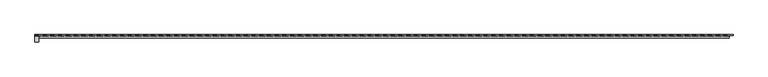
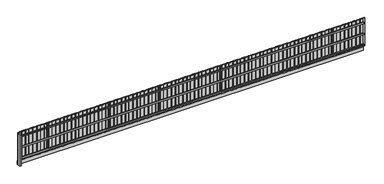
"""IFC4 building model written with IfcOpenShell, lengths in millimetres: geographic element geometry."""

from ifc_helpers import new_model, si_unit, frame, origin, origin_with_axes, place, context, project, spatial, polyline, outline, extrude, source, transform, mapped, element, save


def geographic_element_88bdca91(model_context):
    return source(origin(), model_context, "Body", "SweptSolid", [
        extrude(outline(polyline([(18050.6871344, 20.0), (17900.3435672, 20.0), (17900.3435672, 40.0), (18050.6871344, 40.0), (18050.6871344, 20.0)])), frame((0.0, 0.0, 200.0), z_axis=(0.0, 0.0, 1.0), x_axis=(1.0, 0.0, 0.0)), (0.0, 0.0, 1.0), 1550.0),
        extrude(outline(polyline([(17950.3435672, 0.0), (17800.0, 0.0), (17800.0, 20.0), (17950.3435672, 20.0), (17950.3435672, 0.0)])), frame((0.0, 0.0, 200.0), z_axis=(0.0, 0.0, 1.0), x_axis=(1.0, 0.0, 0.0)), (0.0, 0.0, 1.0), 1550.0),
        extrude(outline(polyline([(17850.6871344, 20.0), (17700.3435672, 20.0), (17700.3435672, 40.0), (17850.6871344, 40.0), (17850.6871344, 20.0)])), frame((0.0, 0.0, 200.0), z_axis=(0.0, 0.0, 1.0), x_axis=(1.0, 0.0, 0.0)), (0.0, 0.0, 1.0), 1550.0),
        extrude(outline(polyline([(17750.3435672, 0.0), (17600.0, 0.0), (17600.0, 20.0), (17750.3435672, 20.0), (17750.3435672, 0.0)])), frame((0.0, 0.0, 200.0), z_axis=(0.0, 0.0, 1.0), x_axis=(1.0, 0.0, 0.0)), (0.0, 0.0, 1.0), 1550.0),
        extrude(outline(polyline([(17650.6871344, 20.0), (17500.3435672, 20.0), (17500.3435672, 40.0), (17650.6871344, 40.0), (17650.6871344, 20.0)])), frame((0.0, 0.0, 200.0), z_axis=(0.0, 0.0, 1.0), x_axis=(1.0, 0.0, 0.0)), (0.0, 0.0, 1.0), 1550.0),
        extrude(outline(polyline([(17550.3435672, 0.0), (17400.0, 0.0), (17400.0, 20.0), (17550.3435672, 20.0), (17550.3435672, 0.0)])), frame((0.0, 0.0, 200.0), z_axis=(0.0, 0.0, 1.0), x_axis=(1.0, 0.0, 0.0)), (0.0, 0.0, 1.0), 1550.0),
        extrude(outline(polyline([(17450.6871344, 20.0), (17300.3435672, 20.0), (17300.3435672, 40.0), (17450.6871344, 40.0), (17450.6871344, 20.0)])), frame((0.0, 0.0, 200.0), z_axis=(0.0, 0.0, 1.0), x_axis=(1.0, 0.0, 0.0)), (0.0, 0.0, 1.0), 1550.0),
        extrude(outline(polyline([(17350.3435672, 0.0), (17200.0, 0.0), (17200.0, 20.0), (17350.3435672, 20.0), (17350.3435672, 0.0)])), frame((0.0, 0.0, 200.0), z_axis=(0.0, 0.0, 1.0), x_axis=(1.0, 0.0, 0.0)), (0.0, 0.0, 1.0), 1550.0),
        extrude(outline(polyline([(17250.6871344, 20.0), (17100.3435672, 20.0), (17100.3435672, 40.0), (17250.6871344, 40.0), (17250.6871344, 20.0)])), frame((0.0, 0.0, 200.0), z_axis=(0.0, 0.0, 1.0), x_axis=(1.0, 0.0, 0.0)), (0.0, 0.0, 1.0), 1550.0),
        extrude(outline(polyline([(17150.3435672, 0.0), (17000.0, 0.0), (17000.0, 20.0), (17150.3435672, 20.0), (17150.3435672, 0.0)])), frame((0.0, 0.0, 200.0), z_axis=(0.0, 0.0, 1.0), x_axis=(1.0, 0.0, 0.0)), (0.0, 0.0, 1.0), 1550.0),
        extrude(outline(polyline([(17050.6871344, 20.0), (16900.3435672, 20.0), (16900.3435672, 40.0), (17050.6871344, 40.0), (17050.6871344, 20.0)])), frame((0.0, 0.0, 200.0), z_axis=(0.0, 0.0, 1.0), x_axis=(1.0, 0.0, 0.0)), (0.0, 0.0, 1.0), 1550.0),
        extrude(outline(polyline([(16950.3435672, 0.0), (16800.0, 0.0), (16800.0, 20.0), (16950.3435672, 20.0), (16950.3435672, 0.0)])), frame((0.0, 0.0, 200.0), z_axis=(0.0, 0.0, 1.0), x_axis=(1.0, 0.0, 0.0)), (0.0, 0.0, 1.0), 1550.0),
        extrude(outline(polyline([(16850.6871344, 20.0), (16700.3435672, 20.0), (16700.3435672, 40.0), (16850.6871344, 40.0), (16850.6871344, 20.0)])), frame((0.0, 0.0, 200.0), z_axis=(0.0, 0.0, 1.0), x_axis=(1.0, 0.0, 0.0)), (0.0, 0.0, 1.0), 1550.0),
        extrude(outline(polyline([(16750.3435672, 0.0), (16600.0, 0.0), (16600.0, 20.0), (16750.3435672, 20.0), (16750.3435672, 0.0)])), frame((0.0, 0.0, 200.0), z_axis=(0.0, 0.0, 1.0), x_axis=(1.0, 0.0, 0.0)), (0.0, 0.0, 1.0), 1550.0),
        extrude(outline(polyline([(16650.6871344, 20.0), (16500.3435672, 20.0), (16500.3435672, 40.0), (16650.6871344, 40.0), (16650.6871344, 20.0)])), frame((0.0, 0.0, 200.0), z_axis=(0.0, 0.0, 1.0), x_axis=(1.0, 0.0, 0.0)), (0.0, 0.0, 1.0), 1550.0),
        extrude(outline(polyline([(16550.3435672, 0.0), (16400.0, 0.0), (16400.0, 20.0), (16550.3435672, 20.0), (16550.3435672, 0.0)])), frame((0.0, 0.0, 200.0), z_axis=(0.0, 0.0, 1.0), x_axis=(1.0, 0.0, 0.0)), (0.0, 0.0, 1.0), 1550.0),
        extrude(outline(polyline([(16450.6871344, 20.0), (16300.3435672, 20.0), (16300.3435672, 40.0), (16450.6871344, 40.0), (16450.6871344, 20.0)])), frame((0.0, 0.0, 200.0), z_axis=(0.0, 0.0, 1.0), x_axis=(1.0, 0.0, 0.0)), (0.0, 0.0, 1.0), 1550.0),
        extrude(outline(polyline([(16350.3435672, 0.0), (16200.0, 0.0), (16200.0, 20.0), (16350.3435672, 20.0), (16350.3435672, 0.0)])), frame((0.0, 0.0, 200.0), z_axis=(0.0, 0.0, 1.0), x_axis=(1.0, 0.0, 0.0)), (0.0, 0.0, 1.0), 1550.0),
        extrude(outline(polyline([(16250.6871344, 20.0), (16100.3435672, 20.0), (16100.3435672, 40.0), (16250.6871344, 40.0), (16250.6871344, 20.0)])), frame((0.0, 0.0, 200.0), z_axis=(0.0, 0.0, 1.0), x_axis=(1.0, 0.0, 0.0)), (0.0, 0.0, 1.0), 1550.0),
        extrude(outline(polyline([(16150.3435672, 0.0), (16000.0, 0.0), (16000.0, 20.0), (16150.3435672, 20.0), (16150.3435672, 0.0)])), frame((0.0, 0.0, 200.0), z_axis=(0.0, 0.0, 1.0), x_axis=(1.0, 0.0, 0.0)), (0.0, 0.0, 1.0), 1550.0),
        extrude(outline(polyline([(16050.6871344, 20.0), (15900.3435672, 20.0), (15900.3435672, 40.0), (16050.6871344, 40.0), (16050.6871344, 20.0)])), frame((0.0, 0.0, 200.0), z_axis=(0.0, 0.0, 1.0), x_axis=(1.0, 0.0, 0.0)), (0.0, 0.0, 1.0), 1550.0),
        extrude(outline(polyline([(15950.3435672, 0.0), (15800.0, 0.0), (15800.0, 20.0), (15950.3435672, 20.0), (15950.3435672, 0.0)])), frame((0.0, 0.0, 200.0), z_axis=(0.0, 0.0, 1.0), x_axis=(1.0, 0.0, 0.0)), (0.0, 0.0, 1.0), 1550.0),
        extrude(outline(polyline([(15850.6871344, 20.0), (15700.3435672, 20.0), (15700.3435672, 40.0), (15850.6871344, 40.0), (15850.6871344, 20.0)])), frame((0.0, 0.0, 200.0), z_axis=(0.0, 0.0, 1.0), x_axis=(1.0, 0.0, 0.0)), (0.0, 0.0, 1.0), 1550.0),
        extrude(outline(polyline([(15750.3435672, 0.0), (15600.0, 0.0), (15600.0, 20.0), (15750.3435672, 20.0), (15750.3435672, 0.0)])), frame((0.0, 0.0, 200.0), z_axis=(0.0, 0.0, 1.0), x_axis=(1.0, 0.0, 0.0)), (0.0, 0.0, 1.0), 1550.0),
        extrude(outline(polyline([(15650.6871344, 20.0), (15500.3435672, 20.0), (15500.3435672, 40.0), (15650.6871344, 40.0), (15650.6871344, 20.0)])), frame((0.0, 0.0, 200.0), z_axis=(0.0, 0.0, 1.0), x_axis=(1.0, 0.0, 0.0)), (0.0, 0.0, 1.0), 1550.0),
        extrude(outline(polyline([(15550.3435672, 0.0), (15400.0, 0.0), (15400.0, 20.0), (15550.3435672, 20.0), (15550.3435672, 0.0)])), frame((0.0, 0.0, 200.0), z_axis=(0.0, 0.0, 1.0), x_axis=(1.0, 0.0, 0.0)), (0.0, 0.0, 1.0), 1550.0),
        extrude(outline(polyline([(15450.6871344, 20.0), (15300.3435672, 20.0), (15300.3435672, 40.0), (15450.6871344, 40.0), (15450.6871344, 20.0)])), frame((0.0, 0.0, 200.0), z_axis=(0.0, 0.0, 1.0), x_axis=(1.0, 0.0, 0.0)), (0.0, 0.0, 1.0), 1550.0),
        extrude(outline(polyline([(15350.3435672, 0.0), (15200.0, 0.0), (15200.0, 20.0), (15350.3435672, 20.0), (15350.3435672, 0.0)])), frame((0.0, 0.0, 200.0), z_axis=(0.0, 0.0, 1.0), x_axis=(1.0, 0.0, 0.0)), (0.0, 0.0, 1.0), 1550.0),
        extrude(outline(polyline([(15250.6871344, 20.0), (15100.3435672, 20.0), (15100.3435672, 40.0), (15250.6871344, 40.0), (15250.6871344, 20.0)])), frame((0.0, 0.0, 200.0), z_axis=(0.0, 0.0, 1.0), x_axis=(1.0, 0.0, 0.0)), (0.0, 0.0, 1.0), 1550.0),
        extrude(outline(polyline([(15150.3435672, 0.0), (15000.0, 0.0), (15000.0, 20.0), (15150.3435672, 20.0), (15150.3435672, 0.0)])), frame((0.0, 0.0, 200.0), z_axis=(0.0, 0.0, 1.0), x_axis=(1.0, 0.0, 0.0)), (0.0, 0.0, 1.0), 1550.0),
        extrude(outline(polyline([(15050.6871344, 20.0), (14900.3435672, 20.0), (14900.3435672, 40.0), (15050.6871344, 40.0), (15050.6871344, 20.0)])), frame((0.0, 0.0, 200.0), z_axis=(0.0, 0.0, 1.0), x_axis=(1.0, 0.0, 0.0)), (0.0, 0.0, 1.0), 1550.0),
        extrude(outline(polyline([(14950.3435672, 0.0), (14800.0, 0.0), (14800.0, 20.0), (14950.3435672, 20.0), (14950.3435672, 0.0)])), frame((0.0, 0.0, 200.0), z_axis=(0.0, 0.0, 1.0), x_axis=(1.0, 0.0, 0.0)), (0.0, 0.0, 1.0), 1550.0),
        extrude(outline(polyline([(14850.6871344, 20.0), (14700.3435672, 20.0), (14700.3435672, 40.0), (14850.6871344, 40.0), (14850.6871344, 20.0)])), frame((0.0, 0.0, 200.0), z_axis=(0.0, 0.0, 1.0), x_axis=(1.0, 0.0, 0.0)), (0.0, 0.0, 1.0), 1550.0),
        extrude(outline(polyline([(14750.3435672, 0.0), (14600.0, 0.0), (14600.0, 20.0), (14750.3435672, 20.0), (14750.3435672, 0.0)])), frame((0.0, 0.0, 200.0), z_axis=(0.0, 0.0, 1.0), x_axis=(1.0, 0.0, 0.0)), (0.0, 0.0, 1.0), 1550.0),
        extrude(outline(polyline([(14650.6871344, 20.0), (14500.3435672, 20.0), (14500.3435672, 40.0), (14650.6871344, 40.0), (14650.6871344, 20.0)])), frame((0.0, 0.0, 200.0), z_axis=(0.0, 0.0, 1.0), x_axis=(1.0, 0.0, 0.0)), (0.0, 0.0, 1.0), 1550.0),
        extrude(outline(polyline([(14550.3435672, 0.0), (14400.0, 0.0), (14400.0, 20.0), (14550.3435672, 20.0), (14550.3435672, 0.0)])), frame((0.0, 0.0, 200.0), z_axis=(0.0, 0.0, 1.0), x_axis=(1.0, 0.0, 0.0)), (0.0, 0.0, 1.0), 1550.0),
        extrude(outline(polyline([(14450.6871344, 20.0), (14300.3435672, 20.0), (14300.3435672, 40.0), (14450.6871344, 40.0), (14450.6871344, 20.0)])), frame((0.0, 0.0, 200.0), z_axis=(0.0, 0.0, 1.0), x_axis=(1.0, 0.0, 0.0)), (0.0, 0.0, 1.0), 1550.0),
        extrude(outline(polyline([(14350.3435672, 0.0), (14200.0, 0.0), (14200.0, 20.0), (14350.3435672, 20.0), (14350.3435672, 0.0)])), frame((0.0, 0.0, 200.0), z_axis=(0.0, 0.0, 1.0), x_axis=(1.0, 0.0, 0.0)), (0.0, 0.0, 1.0), 1550.0),
        extrude(outline(polyline([(14250.6871344, 20.0), (14100.3435672, 20.0), (14100.3435672, 40.0), (14250.6871344, 40.0), (14250.6871344, 20.0)])), frame((0.0, 0.0, 200.0), z_axis=(0.0, 0.0, 1.0), x_axis=(1.0, 0.0, 0.0)), (0.0, 0.0, 1.0), 1550.0),
        extrude(outline(polyline([(14150.3435672, 0.0), (14000.0, 0.0), (14000.0, 20.0), (14150.3435672, 20.0), (14150.3435672, 0.0)])), frame((0.0, 0.0, 200.0), z_axis=(0.0, 0.0, 1.0), x_axis=(1.0, 0.0, 0.0)), (0.0, 0.0, 1.0), 1550.0),
        extrude(outline(polyline([(14050.6871344, 20.0), (13900.3435672, 20.0), (13900.3435672, 40.0), (14050.6871344, 40.0), (14050.6871344, 20.0)])), frame((0.0, 0.0, 200.0), z_axis=(0.0, 0.0, 1.0), x_axis=(1.0, 0.0, 0.0)), (0.0, 0.0, 1.0), 1550.0),
        extrude(outline(polyline([(13950.3435672, 0.0), (13800.0, 0.0), (13800.0, 20.0), (13950.3435672, 20.0), (13950.3435672, 0.0)])), frame((0.0, 0.0, 200.0), z_axis=(0.0, 0.0, 1.0), x_axis=(1.0, 0.0, 0.0)), (0.0, 0.0, 1.0), 1550.0),
        extrude(outline(polyline([(13850.6871344, 20.0), (13700.3435672, 20.0), (13700.3435672, 40.0), (13850.6871344, 40.0), (13850.6871344, 20.0)])), frame((0.0, 0.0, 200.0), z_axis=(0.0, 0.0, 1.0), x_axis=(1.0, 0.0, 0.0)), (0.0, 0.0, 1.0), 1550.0),
        extrude(outline(polyline([(13750.3435672, 0.0), (13600.0, 0.0), (13600.0, 20.0), (13750.3435672, 20.0), (13750.3435672, 0.0)])), frame((0.0, 0.0, 200.0), z_axis=(0.0, 0.0, 1.0), x_axis=(1.0, 0.0, 0.0)), (0.0, 0.0, 1.0), 1550.0),
        extrude(outline(polyline([(13650.6871344, 20.0), (13500.3435672, 20.0), (13500.3435672, 40.0), (13650.6871344, 40.0), (13650.6871344, 20.0)])), frame((0.0, 0.0, 200.0), z_axis=(0.0, 0.0, 1.0), x_axis=(1.0, 0.0, 0.0)), (0.0, 0.0, 1.0), 1550.0),
        extrude(outline(polyline([(13550.3435672, 0.0), (13400.0, 0.0), (13400.0, 20.0), (13550.3435672, 20.0), (13550.3435672, 0.0)])), frame((0.0, 0.0, 200.0), z_axis=(0.0, 0.0, 1.0), x_axis=(1.0, 0.0, 0.0)), (0.0, 0.0, 1.0), 1550.0),
        extrude(outline(polyline([(13450.6871344, 20.0), (13300.3435672, 20.0), (13300.3435672, 40.0), (13450.6871344, 40.0), (13450.6871344, 20.0)])), frame((0.0, 0.0, 200.0), z_axis=(0.0, 0.0, 1.0), x_axis=(1.0, 0.0, 0.0)), (0.0, 0.0, 1.0), 1550.0),
        extrude(outline(polyline([(13350.3435672, 0.0), (13200.0, 0.0), (13200.0, 20.0), (13350.3435672, 20.0), (13350.3435672, 0.0)])), frame((0.0, 0.0, 200.0), z_axis=(0.0, 0.0, 1.0), x_axis=(1.0, 0.0, 0.0)), (0.0, 0.0, 1.0), 1550.0),
        extrude(outline(polyline([(13250.6871344, 20.0), (13100.3435672, 20.0), (13100.3435672, 40.0), (13250.6871344, 40.0), (13250.6871344, 20.0)])), frame((0.0, 0.0, 200.0), z_axis=(0.0, 0.0, 1.0), x_axis=(1.0, 0.0, 0.0)), (0.0, 0.0, 1.0), 1550.0),
        extrude(outline(polyline([(13150.3435672, 0.0), (13000.0, 0.0), (13000.0, 20.0), (13150.3435672, 20.0), (13150.3435672, 0.0)])), frame((0.0, 0.0, 200.0), z_axis=(0.0, 0.0, 1.0), x_axis=(1.0, 0.0, 0.0)), (0.0, 0.0, 1.0), 1550.0),
        extrude(outline(polyline([(13050.6871344, 20.0), (12900.3435672, 20.0), (12900.3435672, 40.0), (13050.6871344, 40.0), (13050.6871344, 20.0)])), frame((0.0, 0.0, 200.0), z_axis=(0.0, 0.0, 1.0), x_axis=(1.0, 0.0, 0.0)), (0.0, 0.0, 1.0), 1550.0),
        extrude(outline(polyline([(12950.3435672, 0.0), (12800.0, 0.0), (12800.0, 20.0), (12950.3435672, 20.0), (12950.3435672, 0.0)])), frame((0.0, 0.0, 200.0), z_axis=(0.0, 0.0, 1.0), x_axis=(1.0, 0.0, 0.0)), (0.0, 0.0, 1.0), 1550.0),
        extrude(outline(polyline([(12850.6871344, 20.0), (12700.3435672, 20.0), (12700.3435672, 40.0), (12850.6871344, 40.0), (12850.6871344, 20.0)])), frame((0.0, 0.0, 200.0), z_axis=(0.0, 0.0, 1.0), x_axis=(1.0, 0.0, 0.0)), (0.0, 0.0, 1.0), 1550.0),
        extrude(outline(polyline([(12750.3435672, 0.0), (12600.0, 0.0), (12600.0, 20.0), (12750.3435672, 20.0), (12750.3435672, 0.0)])), frame((0.0, 0.0, 200.0), z_axis=(0.0, 0.0, 1.0), x_axis=(1.0, 0.0, 0.0)), (0.0, 0.0, 1.0), 1550.0),
        extrude(outline(polyline([(12650.6871344, 20.0), (12500.3435672, 20.0), (12500.3435672, 40.0), (12650.6871344, 40.0), (12650.6871344, 20.0)])), frame((0.0, 0.0, 200.0), z_axis=(0.0, 0.0, 1.0), x_axis=(1.0, 0.0, 0.0)), (0.0, 0.0, 1.0), 1550.0),
        extrude(outline(polyline([(12550.3435672, 0.0), (12400.0, 0.0), (12400.0, 20.0), (12550.3435672, 20.0), (12550.3435672, 0.0)])), frame((0.0, 0.0, 200.0), z_axis=(0.0, 0.0, 1.0), x_axis=(1.0, 0.0, 0.0)), (0.0, 0.0, 1.0), 1550.0),
        extrude(outline(polyline([(12450.6871344, 20.0), (12300.3435672, 20.0), (12300.3435672, 40.0), (12450.6871344, 40.0), (12450.6871344, 20.0)])), frame((0.0, 0.0, 200.0), z_axis=(0.0, 0.0, 1.0), x_axis=(1.0, 0.0, 0.0)), (0.0, 0.0, 1.0), 1550.0),
        extrude(outline(polyline([(12350.3435672, 0.0), (12200.0, 0.0), (12200.0, 20.0), (12350.3435672, 20.0), (12350.3435672, 0.0)])), frame((0.0, 0.0, 200.0), z_axis=(0.0, 0.0, 1.0), x_axis=(1.0, 0.0, 0.0)), (0.0, 0.0, 1.0), 1550.0),
        extrude(outline(polyline([(12250.6871344, 20.0), (12100.3435672, 20.0), (12100.3435672, 40.0), (12250.6871344, 40.0), (12250.6871344, 20.0)])), frame((0.0, 0.0, 200.0), z_axis=(0.0, 0.0, 1.0), x_axis=(1.0, 0.0, 0.0)), (0.0, 0.0, 1.0), 1550.0),
        extrude(outline(polyline([(12150.3435672, 0.0), (12000.0, 0.0), (12000.0, 20.0), (12150.3435672, 20.0), (12150.3435672, 0.0)])), frame((0.0, 0.0, 200.0), z_axis=(0.0, 0.0, 1.0), x_axis=(1.0, 0.0, 0.0)), (0.0, 0.0, 1.0), 1550.0),
        extrude(outline(polyline([(12050.6871344, 20.0), (11900.3435672, 20.0), (11900.3435672, 40.0), (12050.6871344, 40.0), (12050.6871344, 20.0)])), frame((0.0, 0.0, 200.0), z_axis=(0.0, 0.0, 1.0), x_axis=(1.0, 0.0, 0.0)), (0.0, 0.0, 1.0), 1550.0),
        extrude(outline(polyline([(11950.3435672, 0.0), (11800.0, 0.0), (11800.0, 20.0), (11950.3435672, 20.0), (11950.3435672, 0.0)])), frame((0.0, 0.0, 200.0), z_axis=(0.0, 0.0, 1.0), x_axis=(1.0, 0.0, 0.0)), (0.0, 0.0, 1.0), 1550.0),
        extrude(outline(polyline([(11850.6871344, 20.0), (11700.3435672, 20.0), (11700.3435672, 40.0), (11850.6871344, 40.0), (11850.6871344, 20.0)])), frame((0.0, 0.0, 200.0), z_axis=(0.0, 0.0, 1.0), x_axis=(1.0, 0.0, 0.0)), (0.0, 0.0, 1.0), 1550.0),
        extrude(outline(polyline([(11750.3435672, 0.0), (11600.0, 0.0), (11600.0, 20.0), (11750.3435672, 20.0), (11750.3435672, 0.0)])), frame((0.0, 0.0, 200.0), z_axis=(0.0, 0.0, 1.0), x_axis=(1.0, 0.0, 0.0)), (0.0, 0.0, 1.0), 1550.0),
        extrude(outline(polyline([(11650.6871344, 20.0), (11500.3435672, 20.0), (11500.3435672, 40.0), (11650.6871344, 40.0), (11650.6871344, 20.0)])), frame((0.0, 0.0, 200.0), z_axis=(0.0, 0.0, 1.0), x_axis=(1.0, 0.0, 0.0)), (0.0, 0.0, 1.0), 1550.0),
        extrude(outline(polyline([(11550.3435672, 0.0), (11400.0, 0.0), (11400.0, 20.0), (11550.3435672, 20.0), (11550.3435672, 0.0)])), frame((0.0, 0.0, 200.0), z_axis=(0.0, 0.0, 1.0), x_axis=(1.0, 0.0, 0.0)), (0.0, 0.0, 1.0), 1550.0),
        extrude(outline(polyline([(11450.6871344, 20.0), (11300.3435672, 20.0), (11300.3435672, 40.0), (11450.6871344, 40.0), (11450.6871344, 20.0)])), frame((0.0, 0.0, 200.0), z_axis=(0.0, 0.0, 1.0), x_axis=(1.0, 0.0, 0.0)), (0.0, 0.0, 1.0), 1550.0),
        extrude(outline(polyline([(11350.3435672, 0.0), (11200.0, 0.0), (11200.0, 20.0), (11350.3435672, 20.0), (11350.3435672, 0.0)])), frame((0.0, 0.0, 200.0), z_axis=(0.0, 0.0, 1.0), x_axis=(1.0, 0.0, 0.0)), (0.0, 0.0, 1.0), 1550.0),
        extrude(outline(polyline([(11250.6871344, 20.0), (11100.3435672, 20.0), (11100.3435672, 40.0), (11250.6871344, 40.0), (11250.6871344, 20.0)])), frame((0.0, 0.0, 200.0), z_axis=(0.0, 0.0, 1.0), x_axis=(1.0, 0.0, 0.0)), (0.0, 0.0, 1.0), 1550.0),
        extrude(outline(polyline([(11150.3435672, 0.0), (11000.0, 0.0), (11000.0, 20.0), (11150.3435672, 20.0), (11150.3435672, 0.0)])), frame((0.0, 0.0, 200.0), z_axis=(0.0, 0.0, 1.0), x_axis=(1.0, 0.0, 0.0)), (0.0, 0.0, 1.0), 1550.0),
        extrude(outline(polyline([(11050.6871344, 20.0), (10900.3435672, 20.0), (10900.3435672, 40.0), (11050.6871344, 40.0), (11050.6871344, 20.0)])), frame((0.0, 0.0, 200.0), z_axis=(0.0, 0.0, 1.0), x_axis=(1.0, 0.0, 0.0)), (0.0, 0.0, 1.0), 1550.0),
        extrude(outline(polyline([(10950.3435672, 0.0), (10800.0, 0.0), (10800.0, 20.0), (10950.3435672, 20.0), (10950.3435672, 0.0)])), frame((0.0, 0.0, 200.0), z_axis=(0.0, 0.0, 1.0), x_axis=(1.0, 0.0, 0.0)), (0.0, 0.0, 1.0), 1550.0),
        extrude(outline(polyline([(10850.6871344, 20.0), (10700.3435672, 20.0), (10700.3435672, 40.0), (10850.6871344, 40.0), (10850.6871344, 20.0)])), frame((0.0, 0.0, 200.0), z_axis=(0.0, 0.0, 1.0), x_axis=(1.0, 0.0, 0.0)), (0.0, 0.0, 1.0), 1550.0),
        extrude(outline(polyline([(10750.3435672, 0.0), (10600.0, 0.0), (10600.0, 20.0), (10750.3435672, 20.0), (10750.3435672, 0.0)])), frame((0.0, 0.0, 200.0), z_axis=(0.0, 0.0, 1.0), x_axis=(1.0, 0.0, 0.0)), (0.0, 0.0, 1.0), 1550.0),
        extrude(outline(polyline([(10650.6871344, 20.0), (10500.3435672, 20.0), (10500.3435672, 40.0), (10650.6871344, 40.0), (10650.6871344, 20.0)])), frame((0.0, 0.0, 200.0), z_axis=(0.0, 0.0, 1.0), x_axis=(1.0, 0.0, 0.0)), (0.0, 0.0, 1.0), 1550.0),
        extrude(outline(polyline([(10550.3435672, 0.0), (10400.0, 0.0), (10400.0, 20.0), (10550.3435672, 20.0), (10550.3435672, 0.0)])), frame((0.0, 0.0, 200.0), z_axis=(0.0, 0.0, 1.0), x_axis=(1.0, 0.0, 0.0)), (0.0, 0.0, 1.0), 1550.0),
        extrude(outline(polyline([(10450.6871344, 20.0), (10300.3435672, 20.0), (10300.3435672, 40.0), (10450.6871344, 40.0), (10450.6871344, 20.0)])), frame((0.0, 0.0, 200.0), z_axis=(0.0, 0.0, 1.0), x_axis=(1.0, 0.0, 0.0)), (0.0, 0.0, 1.0), 1550.0),
        extrude(outline(polyline([(10350.3435672, 0.0), (10200.0, 0.0), (10200.0, 20.0), (10350.3435672, 20.0), (10350.3435672, 0.0)])), frame((0.0, 0.0, 200.0), z_axis=(0.0, 0.0, 1.0), x_axis=(1.0, 0.0, 0.0)), (0.0, 0.0, 1.0), 1550.0),
        extrude(outline(polyline([(10250.6871344, 20.0), (10100.3435672, 20.0), (10100.3435672, 40.0), (10250.6871344, 40.0), (10250.6871344, 20.0)])), frame((0.0, 0.0, 200.0), z_axis=(0.0, 0.0, 1.0), x_axis=(1.0, 0.0, 0.0)), (0.0, 0.0, 1.0), 1550.0),
        extrude(outline(polyline([(10150.3435672, 0.0), (10000.0, 0.0), (10000.0, 20.0), (10150.3435672, 20.0), (10150.3435672, 0.0)])), frame((0.0, 0.0, 200.0), z_axis=(0.0, 0.0, 1.0), x_axis=(1.0, 0.0, 0.0)), (0.0, 0.0, 1.0), 1550.0),
        extrude(outline(polyline([(10050.6871344, 20.0), (9900.3435672, 20.0), (9900.3435672, 40.0), (10050.6871344, 40.0), (10050.6871344, 20.0)])), frame((0.0, 0.0, 200.0), z_axis=(0.0, 0.0, 1.0), x_axis=(1.0, 0.0, 0.0)), (0.0, 0.0, 1.0), 1550.0),
        extrude(outline(polyline([(9950.3435672, 0.0), (9800.0, 0.0), (9800.0, 20.0), (9950.3435672, 20.0), (9950.3435672, 0.0)])), frame((0.0, 0.0, 200.0), z_axis=(0.0, 0.0, 1.0), x_axis=(1.0, 0.0, 0.0)), (0.0, 0.0, 1.0), 1550.0),
        extrude(outline(polyline([(9850.6871344, 20.0), (9700.3435672, 20.0), (9700.3435672, 40.0), (9850.6871344, 40.0), (9850.6871344, 20.0)])), frame((0.0, 0.0, 200.0), z_axis=(0.0, 0.0, 1.0), x_axis=(1.0, 0.0, 0.0)), (0.0, 0.0, 1.0), 1550.0),
        extrude(outline(polyline([(9750.3435672, 0.0), (9600.0, 0.0), (9600.0, 20.0), (9750.3435672, 20.0), (9750.3435672, 0.0)])), frame((0.0, 0.0, 200.0), z_axis=(0.0, 0.0, 1.0), x_axis=(1.0, 0.0, 0.0)), (0.0, 0.0, 1.0), 1550.0),
        extrude(outline(polyline([(9650.6871344, 20.0), (9500.3435672, 20.0), (9500.3435672, 40.0), (9650.6871344, 40.0), (9650.6871344, 20.0)])), frame((0.0, 0.0, 200.0), z_axis=(0.0, 0.0, 1.0), x_axis=(1.0, 0.0, 0.0)), (0.0, 0.0, 1.0), 1550.0),
        extrude(outline(polyline([(9550.3435672, 0.0), (9400.0, 0.0), (9400.0, 20.0), (9550.3435672, 20.0), (9550.3435672, 0.0)])), frame((0.0, 0.0, 200.0), z_axis=(0.0, 0.0, 1.0), x_axis=(1.0, 0.0, 0.0)), (0.0, 0.0, 1.0), 1550.0),
        extrude(outline(polyline([(9450.6871344, 20.0), (9300.3435672, 20.0), (9300.3435672, 40.0), (9450.6871344, 40.0), (9450.6871344, 20.0)])), frame((0.0, 0.0, 200.0), z_axis=(0.0, 0.0, 1.0), x_axis=(1.0, 0.0, 0.0)), (0.0, 0.0, 1.0), 1550.0),
        extrude(outline(polyline([(9350.3435672, 0.0), (9200.0, 0.0), (9200.0, 20.0), (9350.3435672, 20.0), (9350.3435672, 0.0)])), frame((0.0, 0.0, 200.0), z_axis=(0.0, 0.0, 1.0), x_axis=(1.0, 0.0, 0.0)), (0.0, 0.0, 1.0), 1550.0),
        extrude(outline(polyline([(9250.6871344, 20.0), (9100.3435672, 20.0), (9100.3435672, 40.0), (9250.6871344, 40.0), (9250.6871344, 20.0)])), frame((0.0, 0.0, 200.0), z_axis=(0.0, 0.0, 1.0), x_axis=(1.0, 0.0, 0.0)), (0.0, 0.0, 1.0), 1550.0),
        extrude(outline(polyline([(9150.3435672, 0.0), (9000.0, 0.0), (9000.0, 20.0), (9150.3435672, 20.0), (9150.3435672, 0.0)])), frame((0.0, 0.0, 200.0), z_axis=(0.0, 0.0, 1.0), x_axis=(1.0, 0.0, 0.0)), (0.0, 0.0, 1.0), 1550.0),
        extrude(outline(polyline([(9050.6871344, 20.0), (8900.3435672, 20.0), (8900.3435672, 40.0), (9050.6871344, 40.0), (9050.6871344, 20.0)])), frame((0.0, 0.0, 200.0), z_axis=(0.0, 0.0, 1.0), x_axis=(1.0, 0.0, 0.0)), (0.0, 0.0, 1.0), 1550.0),
        extrude(outline(polyline([(8950.3435672, 0.0), (8800.0, 0.0), (8800.0, 20.0), (8950.3435672, 20.0), (8950.3435672, 0.0)])), frame((0.0, 0.0, 200.0), z_axis=(0.0, 0.0, 1.0), x_axis=(1.0, 0.0, 0.0)), (0.0, 0.0, 1.0), 1550.0),
        extrude(outline(polyline([(8850.6871344, 20.0), (8700.3435672, 20.0), (8700.3435672, 40.0), (8850.6871344, 40.0), (8850.6871344, 20.0)])), frame((0.0, 0.0, 200.0), z_axis=(0.0, 0.0, 1.0), x_axis=(1.0, 0.0, 0.0)), (0.0, 0.0, 1.0), 1550.0),
        extrude(outline(polyline([(8750.3435672, 0.0), (8600.0, 0.0), (8600.0, 20.0), (8750.3435672, 20.0), (8750.3435672, 0.0)])), frame((0.0, 0.0, 200.0), z_axis=(0.0, 0.0, 1.0), x_axis=(1.0, 0.0, 0.0)), (0.0, 0.0, 1.0), 1550.0),
        extrude(outline(polyline([(8650.6871344, 20.0), (8500.3435672, 20.0), (8500.3435672, 40.0), (8650.6871344, 40.0), (8650.6871344, 20.0)])), frame((0.0, 0.0, 200.0), z_axis=(0.0, 0.0, 1.0), x_axis=(1.0, 0.0, 0.0)), (0.0, 0.0, 1.0), 1550.0),
        extrude(outline(polyline([(8550.3435672, 0.0), (8400.0, 0.0), (8400.0, 20.0), (8550.3435672, 20.0), (8550.3435672, 0.0)])), frame((0.0, 0.0, 200.0), z_axis=(0.0, 0.0, 1.0), x_axis=(1.0, 0.0, 0.0)), (0.0, 0.0, 1.0), 1550.0),
        extrude(outline(polyline([(8450.6871344, 20.0), (8300.3435672, 20.0), (8300.3435672, 40.0), (8450.6871344, 40.0), (8450.6871344, 20.0)])), frame((0.0, 0.0, 200.0), z_axis=(0.0, 0.0, 1.0), x_axis=(1.0, 0.0, 0.0)), (0.0, 0.0, 1.0), 1550.0),
        extrude(outline(polyline([(8350.3435672, 0.0), (8200.0, 0.0), (8200.0, 20.0), (8350.3435672, 20.0), (8350.3435672, 0.0)])), frame((0.0, 0.0, 200.0), z_axis=(0.0, 0.0, 1.0), x_axis=(1.0, 0.0, 0.0)), (0.0, 0.0, 1.0), 1550.0),
        extrude(outline(polyline([(8250.6871344, 20.0), (8100.3435672, 20.0), (8100.3435672, 40.0), (8250.6871344, 40.0), (8250.6871344, 20.0)])), frame((0.0, 0.0, 200.0), z_axis=(0.0, 0.0, 1.0), x_axis=(1.0, 0.0, 0.0)), (0.0, 0.0, 1.0), 1550.0),
        extrude(outline(polyline([(8150.3435672, 0.0), (8000.0, 0.0), (8000.0, 20.0), (8150.3435672, 20.0), (8150.3435672, 0.0)])), frame((0.0, 0.0, 200.0), z_axis=(0.0, 0.0, 1.0), x_axis=(1.0, 0.0, 0.0)), (0.0, 0.0, 1.0), 1550.0),
        extrude(outline(polyline([(8050.6871344, 20.0), (7900.3435672, 20.0), (7900.3435672, 40.0), (8050.6871344, 40.0), (8050.6871344, 20.0)])), frame((0.0, 0.0, 200.0), z_axis=(0.0, 0.0, 1.0), x_axis=(1.0, 0.0, 0.0)), (0.0, 0.0, 1.0), 1550.0),
        extrude(outline(polyline([(7950.3435672, 0.0), (7800.0, 0.0), (7800.0, 20.0), (7950.3435672, 20.0), (7950.3435672, 0.0)])), frame((0.0, 0.0, 200.0), z_axis=(0.0, 0.0, 1.0), x_axis=(1.0, 0.0, 0.0)), (0.0, 0.0, 1.0), 1550.0),
        extrude(outline(polyline([(7850.6871344, 20.0), (7700.3435672, 20.0), (7700.3435672, 40.0), (7850.6871344, 40.0), (7850.6871344, 20.0)])), frame((0.0, 0.0, 200.0), z_axis=(0.0, 0.0, 1.0), x_axis=(1.0, 0.0, 0.0)), (0.0, 0.0, 1.0), 1550.0),
        extrude(outline(polyline([(7750.3435672, 0.0), (7600.0, 0.0), (7600.0, 20.0), (7750.3435672, 20.0), (7750.3435672, 0.0)])), frame((0.0, 0.0, 200.0), z_axis=(0.0, 0.0, 1.0), x_axis=(1.0, 0.0, 0.0)), (0.0, 0.0, 1.0), 1550.0),
        extrude(outline(polyline([(7650.6871344, 20.0), (7500.3435672, 20.0), (7500.3435672, 40.0), (7650.6871344, 40.0), (7650.6871344, 20.0)])), frame((0.0, 0.0, 200.0), z_axis=(0.0, 0.0, 1.0), x_axis=(1.0, 0.0, 0.0)), (0.0, 0.0, 1.0), 1550.0),
        extrude(outline(polyline([(7550.3435672, 0.0), (7400.0, 0.0), (7400.0, 20.0), (7550.3435672, 20.0), (7550.3435672, 0.0)])), frame((0.0, 0.0, 200.0), z_axis=(0.0, 0.0, 1.0), x_axis=(1.0, 0.0, 0.0)), (0.0, 0.0, 1.0), 1550.0),
        extrude(outline(polyline([(7450.6871344, 20.0), (7300.3435672, 20.0), (7300.3435672, 40.0), (7450.6871344, 40.0), (7450.6871344, 20.0)])), frame((0.0, 0.0, 200.0), z_axis=(0.0, 0.0, 1.0), x_axis=(1.0, 0.0, 0.0)), (0.0, 0.0, 1.0), 1550.0),
        extrude(outline(polyline([(7350.3435672, 0.0), (7200.0, 0.0), (7200.0, 20.0), (7350.3435672, 20.0), (7350.3435672, 0.0)])), frame((0.0, 0.0, 200.0), z_axis=(0.0, 0.0, 1.0), x_axis=(1.0, 0.0, 0.0)), (0.0, 0.0, 1.0), 1550.0),
        extrude(outline(polyline([(7250.6871344, 20.0), (7100.3435672, 20.0), (7100.3435672, 40.0), (7250.6871344, 40.0), (7250.6871344, 20.0)])), frame((0.0, 0.0, 200.0), z_axis=(0.0, 0.0, 1.0), x_axis=(1.0, 0.0, 0.0)), (0.0, 0.0, 1.0), 1550.0),
        extrude(outline(polyline([(7150.3435672, 0.0), (7000.0, 0.0), (7000.0, 20.0), (7150.3435672, 20.0), (7150.3435672, 0.0)])), frame((0.0, 0.0, 200.0), z_axis=(0.0, 0.0, 1.0), x_axis=(1.0, 0.0, 0.0)), (0.0, 0.0, 1.0), 1550.0),
        extrude(outline(polyline([(7050.6871344, 20.0), (6900.3435672, 20.0), (6900.3435672, 40.0), (7050.6871344, 40.0), (7050.6871344, 20.0)])), frame((0.0, 0.0, 200.0), z_axis=(0.0, 0.0, 1.0), x_axis=(1.0, 0.0, 0.0)), (0.0, 0.0, 1.0), 1550.0),
        extrude(outline(polyline([(6950.3435672, 0.0), (6800.0, 0.0), (6800.0, 20.0), (6950.3435672, 20.0), (6950.3435672, 0.0)])), frame((0.0, 0.0, 200.0), z_axis=(0.0, 0.0, 1.0), x_axis=(1.0, 0.0, 0.0)), (0.0, 0.0, 1.0), 1550.0),
        extrude(outline(polyline([(6850.6871344, 20.0), (6700.3435672, 20.0), (6700.3435672, 40.0), (6850.6871344, 40.0), (6850.6871344, 20.0)])), frame((0.0, 0.0, 200.0), z_axis=(0.0, 0.0, 1.0), x_axis=(1.0, 0.0, 0.0)), (0.0, 0.0, 1.0), 1550.0),
        extrude(outline(polyline([(6750.3435672, 0.0), (6600.0, 0.0), (6600.0, 20.0), (6750.3435672, 20.0), (6750.3435672, 0.0)])), frame((0.0, 0.0, 200.0), z_axis=(0.0, 0.0, 1.0), x_axis=(1.0, 0.0, 0.0)), (0.0, 0.0, 1.0), 1550.0),
        extrude(outline(polyline([(6650.6871344, 20.0), (6500.3435672, 20.0), (6500.3435672, 40.0), (6650.6871344, 40.0), (6650.6871344, 20.0)])), frame((0.0, 0.0, 200.0), z_axis=(0.0, 0.0, 1.0), x_axis=(1.0, 0.0, 0.0)), (0.0, 0.0, 1.0), 1550.0),
        extrude(outline(polyline([(6550.3435672, 0.0), (6400.0, 0.0), (6400.0, 20.0), (6550.3435672, 20.0), (6550.3435672, 0.0)])), frame((0.0, 0.0, 200.0), z_axis=(0.0, 0.0, 1.0), x_axis=(1.0, 0.0, 0.0)), (0.0, 0.0, 1.0), 1550.0),
        extrude(outline(polyline([(6450.6871344, 20.0), (6300.3435672, 20.0), (6300.3435672, 40.0), (6450.6871344, 40.0), (6450.6871344, 20.0)])), frame((0.0, 0.0, 200.0), z_axis=(0.0, 0.0, 1.0), x_axis=(1.0, 0.0, 0.0)), (0.0, 0.0, 1.0), 1550.0),
        extrude(outline(polyline([(6350.3435672, 0.0), (6200.0, 0.0), (6200.0, 20.0), (6350.3435672, 20.0), (6350.3435672, 0.0)])), frame((0.0, 0.0, 200.0), z_axis=(0.0, 0.0, 1.0), x_axis=(1.0, 0.0, 0.0)), (0.0, 0.0, 1.0), 1550.0),
        extrude(outline(polyline([(6250.6871344, 20.0), (6100.3435672, 20.0), (6100.3435672, 40.0), (6250.6871344, 40.0), (6250.6871344, 20.0)])), frame((0.0, 0.0, 200.0), z_axis=(0.0, 0.0, 1.0), x_axis=(1.0, 0.0, 0.0)), (0.0, 0.0, 1.0), 1550.0),
        extrude(outline(polyline([(6150.3435672, 0.0), (6000.0, 0.0), (6000.0, 20.0), (6150.3435672, 20.0), (6150.3435672, 0.0)])), frame((0.0, 0.0, 200.0), z_axis=(0.0, 0.0, 1.0), x_axis=(1.0, 0.0, 0.0)), (0.0, 0.0, 1.0), 1550.0),
        extrude(outline(polyline([(6050.6871344, 20.0), (5900.3435672, 20.0), (5900.3435672, 40.0), (6050.6871344, 40.0), (6050.6871344, 20.0)])), frame((0.0, 0.0, 200.0), z_axis=(0.0, 0.0, 1.0), x_axis=(1.0, 0.0, 0.0)), (0.0, 0.0, 1.0), 1550.0),
        extrude(outline(polyline([(5950.3435672, 0.0), (5800.0, 0.0), (5800.0, 20.0), (5950.3435672, 20.0), (5950.3435672, 0.0)])), frame((0.0, 0.0, 200.0), z_axis=(0.0, 0.0, 1.0), x_axis=(1.0, 0.0, 0.0)), (0.0, 0.0, 1.0), 1550.0),
        extrude(outline(polyline([(5850.6871344, 20.0), (5700.3435672, 20.0), (5700.3435672, 40.0), (5850.6871344, 40.0), (5850.6871344, 20.0)])), frame((0.0, 0.0, 200.0), z_axis=(0.0, 0.0, 1.0), x_axis=(1.0, 0.0, 0.0)), (0.0, 0.0, 1.0), 1550.0),
        extrude(outline(polyline([(5750.3435672, 0.0), (5600.0, 0.0), (5600.0, 20.0), (5750.3435672, 20.0), (5750.3435672, 0.0)])), frame((0.0, 0.0, 200.0), z_axis=(0.0, 0.0, 1.0), x_axis=(1.0, 0.0, 0.0)), (0.0, 0.0, 1.0), 1550.0),
        extrude(outline(polyline([(5650.6871344, 20.0), (5500.3435672, 20.0), (5500.3435672, 40.0), (5650.6871344, 40.0), (5650.6871344, 20.0)])), frame((0.0, 0.0, 200.0), z_axis=(0.0, 0.0, 1.0), x_axis=(1.0, 0.0, 0.0)), (0.0, 0.0, 1.0), 1550.0),
        extrude(outline(polyline([(5550.3435672, 0.0), (5400.0, 0.0), (5400.0, 20.0), (5550.3435672, 20.0), (5550.3435672, 0.0)])), frame((0.0, 0.0, 200.0), z_axis=(0.0, 0.0, 1.0), x_axis=(1.0, 0.0, 0.0)), (0.0, 0.0, 1.0), 1550.0),
        extrude(outline(polyline([(5450.6871344, 20.0), (5300.3435672, 20.0), (5300.3435672, 40.0), (5450.6871344, 40.0), (5450.6871344, 20.0)])), frame((0.0, 0.0, 200.0), z_axis=(0.0, 0.0, 1.0), x_axis=(1.0, 0.0, 0.0)), (0.0, 0.0, 1.0), 1550.0),
        extrude(outline(polyline([(5350.3435672, 0.0), (5200.0, 0.0), (5200.0, 20.0), (5350.3435672, 20.0), (5350.3435672, 0.0)])), frame((0.0, 0.0, 200.0), z_axis=(0.0, 0.0, 1.0), x_axis=(1.0, 0.0, 0.0)), (0.0, 0.0, 1.0), 1550.0),
        extrude(outline(polyline([(5250.6871344, 20.0), (5100.3435672, 20.0), (5100.3435672, 40.0), (5250.6871344, 40.0), (5250.6871344, 20.0)])), frame((0.0, 0.0, 200.0), z_axis=(0.0, 0.0, 1.0), x_axis=(1.0, 0.0, 0.0)), (0.0, 0.0, 1.0), 1550.0),
        extrude(outline(polyline([(5150.3435672, 0.0), (5000.0, 0.0), (5000.0, 20.0), (5150.3435672, 20.0), (5150.3435672, 0.0)])), frame((0.0, 0.0, 200.0), z_axis=(0.0, 0.0, 1.0), x_axis=(1.0, 0.0, 0.0)), (0.0, 0.0, 1.0), 1550.0),
        extrude(outline(polyline([(5050.6871344, 20.0), (4900.3435672, 20.0), (4900.3435672, 40.0), (5050.6871344, 40.0), (5050.6871344, 20.0)])), frame((0.0, 0.0, 200.0), z_axis=(0.0, 0.0, 1.0), x_axis=(1.0, 0.0, 0.0)), (0.0, 0.0, 1.0), 1550.0),
        extrude(outline(polyline([(4950.3435672, 0.0), (4800.0, 0.0), (4800.0, 20.0), (4950.3435672, 20.0), (4950.3435672, 0.0)])), frame((0.0, 0.0, 200.0), z_axis=(0.0, 0.0, 1.0), x_axis=(1.0, 0.0, 0.0)), (0.0, 0.0, 1.0), 1550.0),
        extrude(outline(polyline([(4850.6871344, 20.0), (4700.3435672, 20.0), (4700.3435672, 40.0), (4850.6871344, 40.0), (4850.6871344, 20.0)])), frame((0.0, 0.0, 200.0), z_axis=(0.0, 0.0, 1.0), x_axis=(1.0, 0.0, 0.0)), (0.0, 0.0, 1.0), 1550.0),
        extrude(outline(polyline([(4750.3435672, 0.0), (4600.0, 0.0), (4600.0, 20.0), (4750.3435672, 20.0), (4750.3435672, 0.0)])), frame((0.0, 0.0, 200.0), z_axis=(0.0, 0.0, 1.0), x_axis=(1.0, 0.0, 0.0)), (0.0, 0.0, 1.0), 1550.0),
        extrude(outline(polyline([(4650.6871344, 20.0), (4500.3435672, 20.0), (4500.3435672, 40.0), (4650.6871344, 40.0), (4650.6871344, 20.0)])), frame((0.0, 0.0, 200.0), z_axis=(0.0, 0.0, 1.0), x_axis=(1.0, 0.0, 0.0)), (0.0, 0.0, 1.0), 1550.0),
        extrude(outline(polyline([(4550.3435672, 0.0), (4400.0, 0.0), (4400.0, 20.0), (4550.3435672, 20.0), (4550.3435672, 0.0)])), frame((0.0, 0.0, 200.0), z_axis=(0.0, 0.0, 1.0), x_axis=(1.0, 0.0, 0.0)), (0.0, 0.0, 1.0), 1550.0),
        extrude(outline(polyline([(4450.6871344, 20.0), (4300.3435672, 20.0), (4300.3435672, 40.0), (4450.6871344, 40.0), (4450.6871344, 20.0)])), frame((0.0, 0.0, 200.0), z_axis=(0.0, 0.0, 1.0), x_axis=(1.0, 0.0, 0.0)), (0.0, 0.0, 1.0), 1550.0),
        extrude(outline(polyline([(4350.3435672, 0.0), (4200.0, 0.0), (4200.0, 20.0), (4350.3435672, 20.0), (4350.3435672, 0.0)])), frame((0.0, 0.0, 200.0), z_axis=(0.0, 0.0, 1.0), x_axis=(1.0, 0.0, 0.0)), (0.0, 0.0, 1.0), 1550.0),
        extrude(outline(polyline([(4250.6871344, 20.0), (4100.3435672, 20.0), (4100.3435672, 40.0), (4250.6871344, 40.0), (4250.6871344, 20.0)])), frame((0.0, 0.0, 200.0), z_axis=(0.0, 0.0, 1.0), x_axis=(1.0, 0.0, 0.0)), (0.0, 0.0, 1.0), 1550.0),
        extrude(outline(polyline([(4150.3435672, 0.0), (4000.0, 0.0), (4000.0, 20.0), (4150.3435672, 20.0), (4150.3435672, 0.0)])), frame((0.0, 0.0, 200.0), z_axis=(0.0, 0.0, 1.0), x_axis=(1.0, 0.0, 0.0)), (0.0, 0.0, 1.0), 1550.0),
        extrude(outline(polyline([(4050.6871344, 20.0), (3900.3435672, 20.0), (3900.3435672, 40.0), (4050.6871344, 40.0), (4050.6871344, 20.0)])), frame((0.0, 0.0, 200.0), z_axis=(0.0, 0.0, 1.0), x_axis=(1.0, 0.0, 0.0)), (0.0, 0.0, 1.0), 1550.0),
        extrude(outline(polyline([(3950.3435672, 0.0), (3800.0, 0.0), (3800.0, 20.0), (3950.3435672, 20.0), (3950.3435672, 0.0)])), frame((0.0, 0.0, 200.0), z_axis=(0.0, 0.0, 1.0), x_axis=(1.0, 0.0, 0.0)), (0.0, 0.0, 1.0), 1550.0),
        extrude(outline(polyline([(3850.6871344, 20.0), (3700.3435672, 20.0), (3700.3435672, 40.0), (3850.6871344, 40.0), (3850.6871344, 20.0)])), frame((0.0, 0.0, 200.0), z_axis=(0.0, 0.0, 1.0), x_axis=(1.0, 0.0, 0.0)), (0.0, 0.0, 1.0), 1550.0),
        extrude(outline(polyline([(3750.3435672, 0.0), (3600.0, 0.0), (3600.0, 20.0), (3750.3435672, 20.0), (3750.3435672, 0.0)])), frame((0.0, 0.0, 200.0), z_axis=(0.0, 0.0, 1.0), x_axis=(1.0, 0.0, 0.0)), (0.0, 0.0, 1.0), 1550.0),
        extrude(outline(polyline([(3650.6871344, 20.0), (3500.3435672, 20.0), (3500.3435672, 40.0), (3650.6871344, 40.0), (3650.6871344, 20.0)])), frame((0.0, 0.0, 200.0), z_axis=(0.0, 0.0, 1.0), x_axis=(1.0, 0.0, 0.0)), (0.0, 0.0, 1.0), 1550.0),
        extrude(outline(polyline([(3550.3435672, 0.0), (3400.0, 0.0), (3400.0, 20.0), (3550.3435672, 20.0), (3550.3435672, 0.0)])), frame((0.0, 0.0, 200.0), z_axis=(0.0, 0.0, 1.0), x_axis=(1.0, 0.0, 0.0)), (0.0, 0.0, 1.0), 1550.0),
        extrude(outline(polyline([(3450.6871344, 20.0), (3300.3435672, 20.0), (3300.3435672, 40.0), (3450.6871344, 40.0), (3450.6871344, 20.0)])), frame((0.0, 0.0, 200.0), z_axis=(0.0, 0.0, 1.0), x_axis=(1.0, 0.0, 0.0)), (0.0, 0.0, 1.0), 1550.0),
        extrude(outline(polyline([(3350.3435672, 0.0), (3200.0, 0.0), (3200.0, 20.0), (3350.3435672, 20.0), (3350.3435672, 0.0)])), frame((0.0, 0.0, 200.0), z_axis=(0.0, 0.0, 1.0), x_axis=(1.0, 0.0, 0.0)), (0.0, 0.0, 1.0), 1550.0),
        extrude(outline(polyline([(3250.6871344, 20.0), (3100.3435672, 20.0), (3100.3435672, 40.0), (3250.6871344, 40.0), (3250.6871344, 20.0)])), frame((0.0, 0.0, 200.0), z_axis=(0.0, 0.0, 1.0), x_axis=(1.0, 0.0, 0.0)), (0.0, 0.0, 1.0), 1550.0),
        extrude(outline(polyline([(3150.3435672, 0.0), (3000.0, 0.0), (3000.0, 20.0), (3150.3435672, 20.0), (3150.3435672, 0.0)])), frame((0.0, 0.0, 200.0), z_axis=(0.0, 0.0, 1.0), x_axis=(1.0, 0.0, 0.0)), (0.0, 0.0, 1.0), 1550.0),
        extrude(outline(polyline([(3050.6871344, 20.0), (2900.3435672, 20.0), (2900.3435672, 40.0), (3050.6871344, 40.0), (3050.6871344, 20.0)])), frame((0.0, 0.0, 200.0), z_axis=(0.0, 0.0, 1.0), x_axis=(1.0, 0.0, 0.0)), (0.0, 0.0, 1.0), 1550.0),
        extrude(outline(polyline([(2950.3435672, 0.0), (2800.0, 0.0), (2800.0, 20.0), (2950.3435672, 20.0), (2950.3435672, 0.0)])), frame((0.0, 0.0, 200.0), z_axis=(0.0, 0.0, 1.0), x_axis=(1.0, 0.0, 0.0)), (0.0, 0.0, 1.0), 1550.0),
        extrude(outline(polyline([(2850.6871344, 20.0), (2700.3435672, 20.0), (2700.3435672, 40.0), (2850.6871344, 40.0), (2850.6871344, 20.0)])), frame((0.0, 0.0, 200.0), z_axis=(0.0, 0.0, 1.0), x_axis=(1.0, 0.0, 0.0)), (0.0, 0.0, 1.0), 1550.0),
        extrude(outline(polyline([(2750.3435672, 0.0), (2600.0, 0.0), (2600.0, 20.0), (2750.3435672, 20.0), (2750.3435672, 0.0)])), frame((0.0, 0.0, 200.0), z_axis=(0.0, 0.0, 1.0), x_axis=(1.0, 0.0, 0.0)), (0.0, 0.0, 1.0), 1550.0),
        extrude(outline(polyline([(2650.6871344, 20.0), (2500.3435672, 20.0), (2500.3435672, 40.0), (2650.6871344, 40.0), (2650.6871344, 20.0)])), frame((0.0, 0.0, 200.0), z_axis=(0.0, 0.0, 1.0), x_axis=(1.0, 0.0, 0.0)), (0.0, 0.0, 1.0), 1550.0),
        extrude(outline(polyline([(2550.3435672, 0.0), (2400.0, 0.0), (2400.0, 20.0), (2550.3435672, 20.0), (2550.3435672, 0.0)])), frame((0.0, 0.0, 200.0), z_axis=(0.0, 0.0, 1.0), x_axis=(1.0, 0.0, 0.0)), (0.0, 0.0, 1.0), 1550.0),
        extrude(outline(polyline([(2450.6871344, 20.0), (2300.3435672, 20.0), (2300.3435672, 40.0), (2450.6871344, 40.0), (2450.6871344, 20.0)])), frame((0.0, 0.0, 200.0), z_axis=(0.0, 0.0, 1.0), x_axis=(1.0, 0.0, 0.0)), (0.0, 0.0, 1.0), 1550.0),
        extrude(outline(polyline([(2350.3435672, 0.0), (2200.0, 0.0), (2200.0, 20.0), (2350.3435672, 20.0), (2350.3435672, 0.0)])), frame((0.0, 0.0, 200.0), z_axis=(0.0, 0.0, 1.0), x_axis=(1.0, 0.0, 0.0)), (0.0, 0.0, 1.0), 1550.0),
        extrude(outline(polyline([(2250.6871344, 20.0), (2100.3435672, 20.0), (2100.3435672, 40.0), (2250.6871344, 40.0), (2250.6871344, 20.0)])), frame((0.0, 0.0, 200.0), z_axis=(0.0, 0.0, 1.0), x_axis=(1.0, 0.0, 0.0)), (0.0, 0.0, 1.0), 1550.0),
        extrude(outline(polyline([(2150.3435672, 0.0), (2000.0, 0.0), (2000.0, 20.0), (2150.3435672, 20.0), (2150.3435672, 0.0)])), frame((0.0, 0.0, 200.0), z_axis=(0.0, 0.0, 1.0), x_axis=(1.0, 0.0, 0.0)), (0.0, 0.0, 1.0), 1550.0),
        extrude(outline(polyline([(2050.6871344, 20.0), (1900.3435672, 20.0), (1900.3435672, 40.0), (2050.6871344, 40.0), (2050.6871344, 20.0)])), frame((0.0, 0.0, 200.0), z_axis=(0.0, 0.0, 1.0), x_axis=(1.0, 0.0, 0.0)), (0.0, 0.0, 1.0), 1550.0),
        extrude(outline(polyline([(1950.3435672, 0.0), (1800.0, 0.0), (1800.0, 20.0), (1950.3435672, 20.0), (1950.3435672, 0.0)])), frame((0.0, 0.0, 200.0), z_axis=(0.0, 0.0, 1.0), x_axis=(1.0, 0.0, 0.0)), (0.0, 0.0, 1.0), 1550.0),
        extrude(outline(polyline([(1850.6871344, 20.0), (1700.3435672, 20.0), (1700.3435672, 40.0), (1850.6871344, 40.0), (1850.6871344, 20.0)])), frame((0.0, 0.0, 200.0), z_axis=(0.0, 0.0, 1.0), x_axis=(1.0, 0.0, 0.0)), (0.0, 0.0, 1.0), 1550.0),
        extrude(outline(polyline([(1750.3435672, 0.0), (1600.0, 0.0), (1600.0, 20.0), (1750.3435672, 20.0), (1750.3435672, 0.0)])), frame((0.0, 0.0, 200.0), z_axis=(0.0, 0.0, 1.0), x_axis=(1.0, 0.0, 0.0)), (0.0, 0.0, 1.0), 1550.0),
        extrude(outline(polyline([(1650.6871344, 20.0), (1500.3435672, 20.0), (1500.3435672, 40.0), (1650.6871344, 40.0), (1650.6871344, 20.0)])), frame((0.0, 0.0, 200.0), z_axis=(0.0, 0.0, 1.0), x_axis=(1.0, 0.0, 0.0)), (0.0, 0.0, 1.0), 1550.0),
        extrude(outline(polyline([(1550.3435672, 0.0), (1400.0, 0.0), (1400.0, 20.0), (1550.3435672, 20.0), (1550.3435672, 0.0)])), frame((0.0, 0.0, 200.0), z_axis=(0.0, 0.0, 1.0), x_axis=(1.0, 0.0, 0.0)), (0.0, 0.0, 1.0), 1550.0),
        extrude(outline(polyline([(1450.6871344, 20.0), (1300.3435672, 20.0), (1300.3435672, 40.0), (1450.6871344, 40.0), (1450.6871344, 20.0)])), frame((0.0, 0.0, 200.0), z_axis=(0.0, 0.0, 1.0), x_axis=(1.0, 0.0, 0.0)), (0.0, 0.0, 1.0), 1550.0),
        extrude(outline(polyline([(1350.3435672, 0.0), (1200.0, 0.0), (1200.0, 20.0), (1350.3435672, 20.0), (1350.3435672, 0.0)])), frame((0.0, 0.0, 200.0), z_axis=(0.0, 0.0, 1.0), x_axis=(1.0, 0.0, 0.0)), (0.0, 0.0, 1.0), 1550.0),
        extrude(outline(polyline([(1250.6871344, 20.0), (1100.3435672, 20.0), (1100.3435672, 40.0), (1250.6871344, 40.0), (1250.6871344, 20.0)])), frame((0.0, 0.0, 200.0), z_axis=(0.0, 0.0, 1.0), x_axis=(1.0, 0.0, 0.0)), (0.0, 0.0, 1.0), 1550.0),
        extrude(outline(polyline([(1150.3435672, 0.0), (1000.0, 0.0), (1000.0, 20.0), (1150.3435672, 20.0), (1150.3435672, 0.0)])), frame((0.0, 0.0, 200.0), z_axis=(0.0, 0.0, 1.0), x_axis=(1.0, 0.0, 0.0)), (0.0, 0.0, 1.0), 1550.0),
        extrude(outline(polyline([(1050.6871344, 20.0), (900.3435672, 20.0), (900.3435672, 40.0), (1050.6871344, 40.0), (1050.6871344, 20.0)])), frame((0.0, 0.0, 200.0), z_axis=(0.0, 0.0, 1.0), x_axis=(1.0, 0.0, 0.0)), (0.0, 0.0, 1.0), 1550.0),
        extrude(outline(polyline([(950.3435672, 0.0), (800.0, 0.0), (800.0, 20.0), (950.3435672, 20.0), (950.3435672, 0.0)])), frame((0.0, 0.0, 200.0), z_axis=(0.0, 0.0, 1.0), x_axis=(1.0, 0.0, 0.0)), (0.0, 0.0, 1.0), 1550.0),
        extrude(outline(polyline([(850.6871344, 20.0), (700.3435672, 20.0), (700.3435672, 40.0), (850.6871344, 40.0), (850.6871344, 20.0)])), frame((0.0, 0.0, 200.0), z_axis=(0.0, 0.0, 1.0), x_axis=(1.0, 0.0, 0.0)), (0.0, 0.0, 1.0), 1550.0),
        extrude(outline(polyline([(750.3435672, 0.0), (600.0, 0.0), (600.0, 20.0), (750.3435672, 20.0), (750.3435672, 0.0)])), frame((0.0, 0.0, 200.0), z_axis=(0.0, 0.0, 1.0), x_axis=(1.0, 0.0, 0.0)), (0.0, 0.0, 1.0), 1550.0),
        extrude(outline(polyline([(650.6871344, 20.0), (500.3435672, 20.0), (500.3435672, 40.0), (650.6871344, 40.0), (650.6871344, 20.0)])), frame((0.0, 0.0, 200.0), z_axis=(0.0, 0.0, 1.0), x_axis=(1.0, 0.0, 0.0)), (0.0, 0.0, 1.0), 1550.0),
        extrude(outline(polyline([(550.3435672, 0.0), (400.0, 0.0), (400.0, 20.0), (550.3435672, 20.0), (550.3435672, 0.0)])), frame((0.0, 0.0, 200.0), z_axis=(0.0, 0.0, 1.0), x_axis=(1.0, 0.0, 0.0)), (0.0, 0.0, 1.0), 1550.0),
        extrude(outline(polyline([(450.6871344, 20.0), (300.3435672, 20.0), (300.3435672, 40.0), (450.6871344, 40.0), (450.6871344, 20.0)])), frame((0.0, 0.0, 200.0), z_axis=(0.0, 0.0, 1.0), x_axis=(1.0, 0.0, 0.0)), (0.0, 0.0, 1.0), 1550.0),
        extrude(outline(polyline([(350.3435672, 0.0), (200.0, 0.0), (200.0, 20.0), (350.3435672, 20.0), (350.3435672, 0.0)])), frame((0.0, 0.0, 200.0), z_axis=(0.0, 0.0, 1.0), x_axis=(1.0, 0.0, 0.0)), (0.0, 0.0, 1.0), 1550.0),
        extrude(outline(polyline([(250.6871344, 20.0), (100.3435672, 20.0), (100.3435672, 40.0), (250.6871344, 40.0), (250.6871344, 20.0)])), frame((0.0, 0.0, 200.0), z_axis=(0.0, 0.0, 1.0), x_axis=(1.0, 0.0, 0.0)), (0.0, 0.0, 1.0), 1550.0),
        extrude(outline(polyline([(150.3435672, 0.0), (0.0, 0.0), (0.0, 20.0), (150.3435672, 20.0), (150.3435672, 0.0)])), frame((0.0, 0.0, 200.0), z_axis=(0.0, 0.0, 1.0), x_axis=(1.0, 0.0, 0.0)), (0.0, 0.0, 1.0), 1550.0),
        extrude(outline(polyline([(100.0, 0.0), (100.0, -150.0), (0.0, -150.0), (0.0, 0.0), (100.0, 0.0)])), origin_with_axes(), (0.0, 0.0, 1.0), 1700.0),
        extrude(outline(polyline([(17956.7, 40.0), (17956.7, 0.0), (0.0, 0.0), (0.0, 40.0), (17956.7, 40.0)])), origin_with_axes(), (0.0, 0.0, 1.0), 200.0),
        extrude(outline(polyline([(17956.7, 0.0), (17956.7, -50.0), (100.0, -50.0), (100.0, 0.0), (17956.7, 0.0)])), frame((0.0, 0.0, 891.4749271), z_axis=(0.0, 0.0, 1.0), x_axis=(1.0, 0.0, 0.0)), (0.0, 0.0, 1.0), 75.0),
        extrude(outline(polyline([(17956.7, 0.0), (17956.7, -50.0), (100.0, -50.0), (100.0, 0.0), (17956.7, 0.0)])), frame((0.0, 0.0, 1491.4749271), z_axis=(0.0, 0.0, 1.0), x_axis=(1.0, 0.0, 0.0)), (0.0, 0.0, 1.0), 75.0),
        extrude(outline(polyline([(17956.7, 0.0), (17956.7, -50.0), (100.0, -50.0), (100.0, 0.0), (17956.7, 0.0)])), frame((0.0, 0.0, 300.0), z_axis=(0.0, 0.0, 1.0), x_axis=(1.0, 0.0, 0.0)), (0.0, 0.0, 1.0), 75.0),
    ])


if __name__ == "__main__":
    model = new_model("IFC4")
    model_context = context("Model", 3, world=origin())
    ifc_project = project(units=[si_unit("LENGTHUNIT", "METRE", prefix="MILLI")], contexts=[model_context])
    site = spatial("IfcSite", under=ifc_project)
    building = spatial("IfcBuilding", under=site)
    placement = place(None, origin())
    geographic_element_shape = geographic_element_88bdca91(model_context)
    element("IfcGeographicElement", 1, at=placement, inside=building, context=model_context, shape_type="MappedRepresentation", body=[
        mapped(geographic_element_shape, transform((0.0, 0.0, 0.0), x_axis=(1.0, 0.0, 0.0), y_axis=(0.0, 1.0, 0.0), z_axis=(0.0, 0.0, 1.0))),
    ])
    save(model, "model.ifc")
